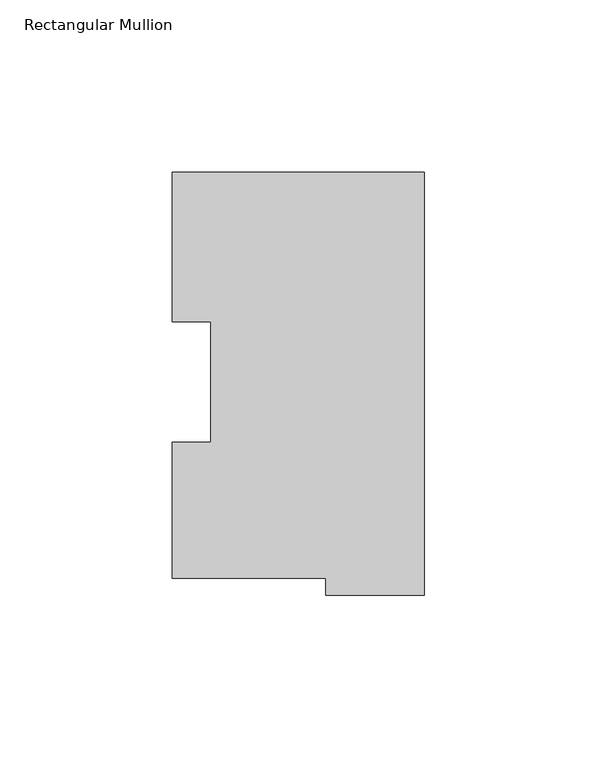
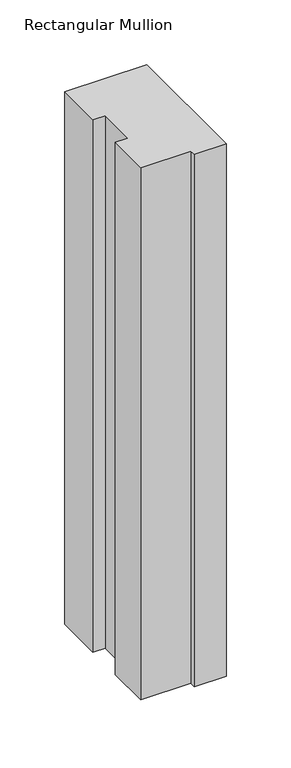
"""IFC4 building model written with IfcOpenShell, lengths in millimetres: member geometry, Rectangular Mullion."""

from ifc_helpers import new_model, si_unit, frame, origin, place, context, project, spatial, polyline, outline, extrude, source, transform, mapped, element, save


def rectangular_mullion_7c18a47a(model_context):
    return source(origin(), model_context, "Body", "SweptSolid", [
        extrude(outline(polyline([(-73.025, 117.827425), (0.0, 117.827425), (0.0, -4.778375), (-28.575, -4.778375), (-28.575, 0.225425), (-73.025, 0.225425), (-73.025, 39.646225), (-61.9252, 39.646225), (-61.9252, 74.596625), (-73.025, 74.596625), (-73.025, 117.827425)])), frame((0.0, 0.0, -501.65), z_axis=(0.0, 0.0, 1.0), x_axis=(1.0, 0.0, 0.0)), (0.0, 0.0, 1.0), 501.65),
    ])


if __name__ == "__main__":
    model = new_model("IFC4")
    model_context = context("Model", 3, world=origin())
    ifc_project = project(units=[si_unit("LENGTHUNIT", "METRE", prefix="MILLI")], contexts=[model_context])
    site = spatial("IfcSite", under=ifc_project)
    building = spatial("IfcBuilding", under=site)
    placement = place(None, origin())
    rectangular_mullion_shape = rectangular_mullion_7c18a47a(model_context)
    element("IfcMember", 1, ObjectType="Rectangular Mullion", at=placement, inside=building, context=model_context, shape_type="MappedRepresentation", body=[
        mapped(rectangular_mullion_shape, transform((0.0, 0.0, 0.0), x_axis=(1.0, 0.0, 0.0), y_axis=(0.0, 1.0, 0.0), z_axis=(0.0, 0.0, 1.0))),
    ])
    save(model, "model.ifc")
